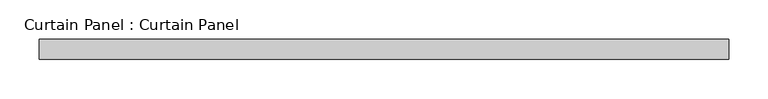
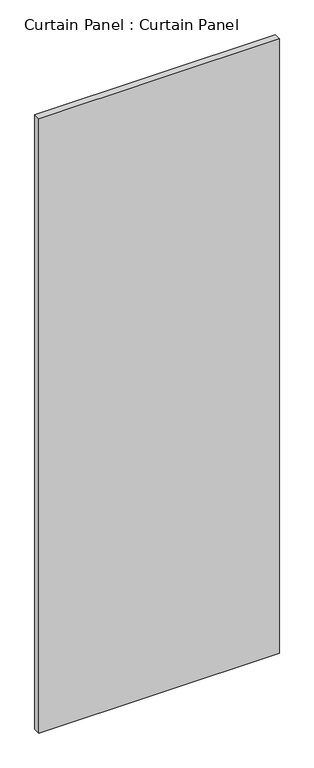
"""IFC4 building model written with IfcOpenShell, lengths in millimetres: plate geometry, Curtain Panel : Curtain Panel."""

from ifc_helpers import new_model, si_unit, frame, origin, place, context, project, spatial, polyline, outline, extrude, source, transform, mapped, element, save


def curtain_panel_curtain_panel_f8601d58(model_context):
    return source(origin(), model_context, "Body", "SweptSolid", [
        extrude(outline(polyline([(-171978.6080404, 7403.2117994), (-172858.0830404, 7403.2117994), (-172858.0830404, 7428.6117994), (-171978.6080404, 7428.6117994), (-171978.6080404, 7403.2117994)])), frame((0.0, 0.0, 46.0375), z_axis=(0.0, 0.0, 1.0), x_axis=(1.0, 0.0, 0.0)), (0.0, 0.0, 1.0), 2374.9),
    ])


if __name__ == "__main__":
    model = new_model("IFC4")
    model_context = context("Model", 3, world=origin())
    ifc_project = project(units=[si_unit("LENGTHUNIT", "METRE", prefix="MILLI")], contexts=[model_context])
    site = spatial("IfcSite", under=ifc_project)
    building = spatial("IfcBuilding", under=site)
    placement = place(None, origin())
    curtain_panel_curtain_panel_shape = curtain_panel_curtain_panel_f8601d58(model_context)
    element("IfcPlate", 1, ObjectType="Curtain Panel : Curtain Panel", at=placement, inside=building, context=model_context, shape_type="MappedRepresentation", body=[
        mapped(curtain_panel_curtain_panel_shape, transform((0.0, 0.0, 0.0), x_axis=(1.0, 0.0, 0.0), y_axis=(0.0, 1.0, 0.0), z_axis=(0.0, 0.0, 1.0))),
    ])
    save(model, "model.ifc")
